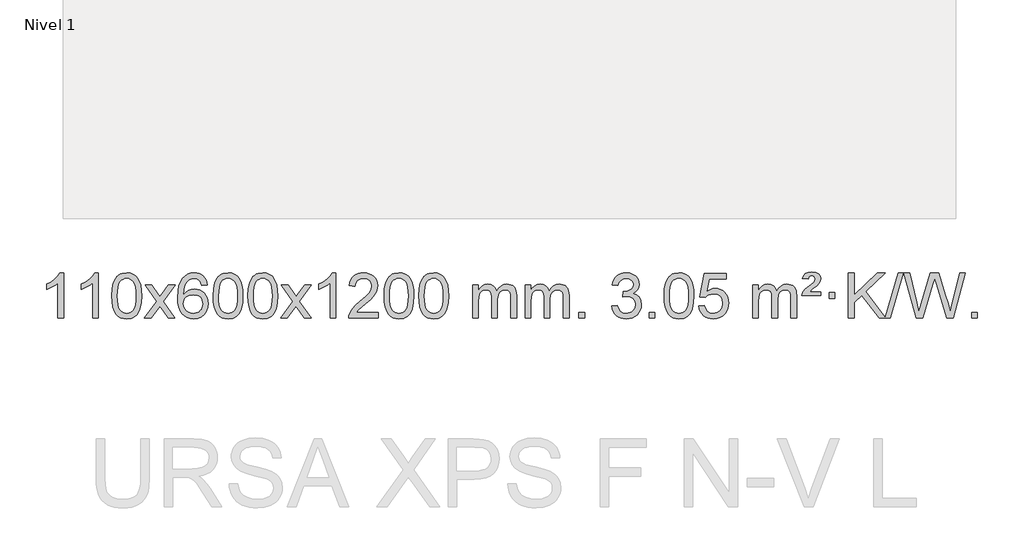
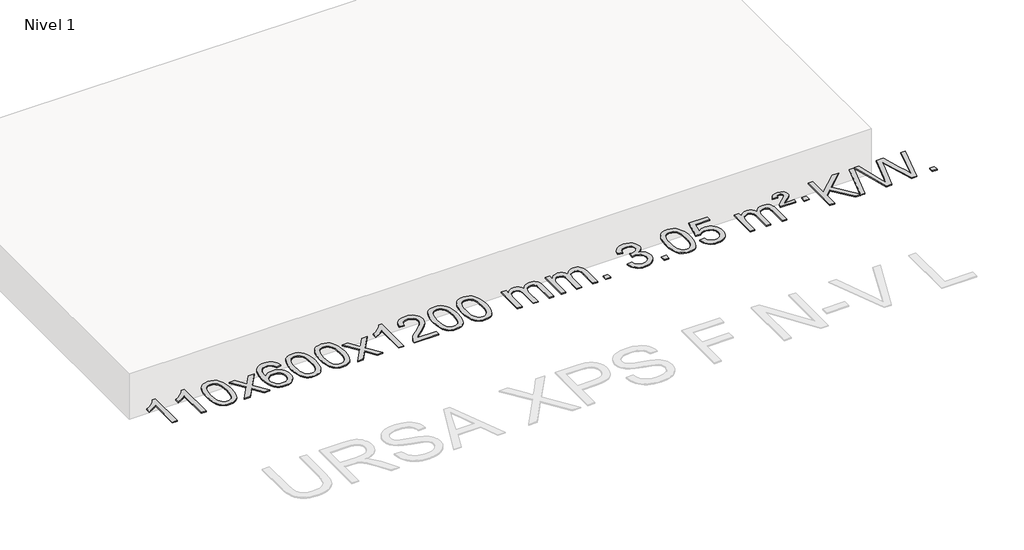
# One storey, part 6 of 10: 1 proxy.
"""IFC4 building model written with IfcOpenShell, lengths in millimetres."""

from ifc_helpers import new_model, si_unit, origin, origin_with_axes, place, context, project, spatial, polyline, outline, extrude, element, save

model = new_model("IFC4")

# Units and contexts
model_context = context("Model", 3, world=origin())
ifc_project = project(units=[si_unit("LENGTHUNIT", "METRE", prefix="MILLI")], contexts=[model_context])

# Site, building, storey
site = spatial("IfcSite", under=ifc_project)
building = spatial("IfcBuilding", under=site)
storey = spatial("IfcBuildingStorey", under=building, Name="Nivel 1", Elevation=0.0)

# Proxy
placement = place(None, origin())
element("IfcBuildingElementProxy", 1, Name="Texto de modelo 1", ObjectType="Texto de modelo 1", at=placement, inside=storey, context=model_context, shape_type="SweptSolid", body=[
    extrude(outline(polyline([(-19657.6779185, -12607.0613758), (-19707.9060735, -12607.0613758), (-19707.9060735, -12293.9202215), (-19728.8753473, -12310.8795815), (-19755.4854782, -12327.814416), (-19808.3623837, -12353.1737482), (-19808.3623837, -12305.6924454), (-19768.9131711, -12284.2326623), (-19734.7369337, -12258.7016518), (-19707.7957089, -12231.5519606), (-19690.051534, -12205.2361352), (-19657.6779185, -12205.2361352), (-19657.6779185, -12607.0613758)])), origin_with_axes(), (0.0, 0.0, 1.0), 10.0),
    extrude(outline(polyline([(-19350.0304686, -12607.0613758), (-19400.2586237, -12607.0613758), (-19400.2586237, -12293.9202215), (-19421.2278974, -12310.8795815), (-19447.8380284, -12327.814416), (-19500.7149338, -12353.1737482), (-19500.7149338, -12305.6924454), (-19461.2657212, -12284.2326623), (-19427.0894839, -12258.7016518), (-19400.1482591, -12231.5519606), (-19382.4040842, -12205.2361352), (-19350.0304686, -12205.2361352), (-19350.0304686, -12607.0613758)])), origin_with_axes(), (0.0, 0.0, 1.0), 10.0),
    extrude(outline(polyline([(-19230.7386003, -12409.3861171), (-19227.0475176, -12345.0680816), (-19215.9742696, -12293.7730687), (-19197.6292208, -12254.7162636), (-19185.7711578, -12239.4828833), (-19172.1227358, -12227.1128512), (-19156.6379694, -12217.5417879), (-19139.2708736, -12210.7053142), (-19098.8896932, -12205.2361352), (-19067.9385547, -12208.4734968), (-19040.2247777, -12218.1855814), (-19017.0482121, -12233.9922445), (-18999.7087073, -12255.5133412), (-18986.6121083, -12282.5649306), (-18976.1642597, -12314.9630716), (-18969.3216545, -12356.1045414), (-18967.0407862, -12409.3861171), (-18970.6950807, -12473.3362706), (-18981.6579641, -12524.5086561), (-18999.8926483, -12563.6022494), (-19011.7231202, -12578.881615), (-19025.3623451, -12591.3160264), (-19040.8655056, -12600.951469), (-19058.2877837, -12607.833928), (-19098.8896932, -12613.3398952), (-19126.5544193, -12610.9486622), (-19151.0798856, -12603.7749633), (-19172.4660923, -12591.8187985), (-19190.7130392, -12575.0801677), (-19208.2242222, -12544.8218736), (-19220.73221, -12507.1201004), (-19228.2370028, -12461.9748483), (-19230.7386003, -12409.3861171)]), holes=[polyline([(-19180.5104452, -12409.2880152), (-19179.0389173, -12452.9525423), (-19174.6243333, -12488.296805), (-19167.2666934, -12515.3208033), (-19156.9659976, -12534.024537), (-19144.5070606, -12546.7501884), (-19130.6746976, -12555.8399393), (-19115.4689085, -12561.2937899), (-19098.8896932, -12563.1117401), (-19082.310478, -12561.2876586), (-19067.1046889, -12555.8154139), (-19053.2723258, -12546.6950061), (-19040.8133889, -12533.9264352), (-19030.5126931, -12515.1920446), (-19023.1550532, -12488.1741777), (-19018.7404692, -12452.8728346), (-19017.2689412, -12409.2880152), (-19018.6914183, -12366.7792507), (-19022.9588494, -12332.0573217), (-19030.0712347, -12305.1222283), (-19040.028574, -12285.9739704), (-19052.2790445, -12272.6259854), (-19066.270823, -12263.0917103), (-19082.0039097, -12257.3711453), (-19099.4783044, -12255.4642903), (-19115.9716806, -12257.1442847), (-19130.9199523, -12262.1842681), (-19144.3231197, -12270.5842403), (-19156.1811826, -12282.3442014), (-19166.825235, -12303.1908478), (-19174.4281296, -12331.2970322), (-19178.9898663, -12366.6627547), (-19180.5104452, -12409.2880152)])]), origin_with_axes(), (0.0, 0.0, 1.0), 10.0),
    extrude(outline(polyline([(-18941.9267086, -12607.0613758), (-18834.6032679, -12458.7313553), (-18935.6481893, -12311.9709647), (-18875.2174402, -12311.9709647), (-18826.4608131, -12382.6043078), (-18803.7011803, -12415.958942), (-18783.9827054, -12388.6866235), (-18728.4570496, -12311.9709647), (-18668.0263005, -12311.9709647), (-18774.1725188, -12458.7313553), (-18671.9503751, -12607.0613758), (-18732.3811242, -12607.0613758), (-18793.8909938, -12517.8867802), (-18805.1727083, -12501.6018705), (-18881.4959596, -12607.0613758), (-18941.9267086, -12607.0613758)])), origin_with_axes(), (0.0, 0.0, 1.0), 10.0),
    extrude(outline(polyline([(-18383.1384834, -12311.9709647), (-18433.3666385, -12318.2494841), (-18441.4600424, -12293.3561358), (-18452.3984004, -12276.3599876), (-18475.1825586, -12260.6882146), (-18502.7246573, -12255.4642903), (-18526.0729013, -12258.5054481), (-18548.0477191, -12267.6289216), (-18566.9200655, -12286.8446245), (-18582.3343211, -12313.2953399), (-18592.7453815, -12350.7089388), (-18596.6081425, -12402.8132921), (-18576.4604719, -12379.3056326), (-18552.3151503, -12362.7386801), (-18525.5210783, -12352.9162308), (-18497.4271566, -12349.642081), (-18473.2940977, -12351.8800298), (-18451.0249743, -12358.5938763), (-18430.6197863, -12369.7836203), (-18412.0785337, -12385.4492619), (-18396.6704095, -12404.6588334), (-18385.6646065, -12426.4803671), (-18379.0611247, -12450.9138629), (-18376.859964, -12477.959321), (-18381.0047679, -12513.9259174), (-18393.4391793, -12547.2682889), (-18413.1331288, -12575.5461515), (-18439.0565467, -12596.3192215), (-18470.0322107, -12609.0847268), (-18504.8828984, -12613.3398952), (-18534.8254271, -12610.5194666), (-18561.8678194, -12602.0581807), (-18586.0100754, -12587.9560375), (-18607.2521949, -12568.2130371), (-18624.5702398, -12541.9953136), (-18636.9402719, -12508.4690011), (-18644.3622912, -12467.6340996), (-18646.8362976, -12419.4906092), (-18644.0894453, -12365.5161891), (-18635.8488887, -12319.451232), (-18622.1146275, -12281.2957377), (-18602.8866619, -12251.0497063), (-18582.0461469, -12231.006269), (-18557.8824311, -12216.689528), (-18530.3955147, -12208.0994834), (-18499.5853976, -12205.2361352), (-18476.4517515, -12207.0081001), (-18455.5131346, -12212.323995), (-18436.769547, -12221.1838197), (-18420.2209885, -12233.5875743), (-18406.3150491, -12249.1183259), (-18395.4993185, -12267.3591415), (-18387.7737966, -12288.3100211), (-18383.1384834, -12311.9709647)]), holes=[polyline([(-18596.6081425, -12477.174506), (-18593.7018747, -12499.4313667), (-18584.9830715, -12520.6826833), (-18571.445014, -12538.9541558), (-18554.0809839, -12552.271484), (-18533.1239729, -12560.4016761), (-18508.806973, -12563.1117401), (-18475.6608052, -12557.4954083), (-18461.7456687, -12550.4749936), (-18449.6024972, -12540.6464129), (-18439.7524568, -12528.4082052), (-18432.7167136, -12514.1589093), (-18427.0881191, -12479.6270527), (-18432.6431372, -12446.4808849), (-18439.5869099, -12432.860054), (-18449.3081916, -12421.2073918), (-18461.4881514, -12411.8723862), (-18475.807958, -12405.204525), (-18510.8671122, -12399.8702361), (-18543.964229, -12405.204525), (-18571.6412178, -12421.2073918), (-18582.5642473, -12432.7067699), (-18590.3664113, -12445.8677482), (-18595.0477097, -12460.690327), (-18596.6081425, -12477.174506)])]), origin_with_axes(), (0.0, 0.0, 1.0), 10.0),
    extrude(outline(polyline([(-18332.9103284, -12409.3861171), (-18329.2192457, -12345.0680816), (-18318.1459976, -12293.7730687), (-18299.8009488, -12254.7162636), (-18287.9428858, -12239.4828833), (-18274.2944638, -12227.1128512), (-18258.8096975, -12217.5417879), (-18241.4426016, -12210.7053142), (-18201.0614213, -12205.2361352), (-18170.1102828, -12208.4734968), (-18142.3965058, -12218.1855814), (-18119.2199401, -12233.9922445), (-18101.8804354, -12255.5133412), (-18088.7838364, -12282.5649306), (-18078.3359877, -12314.9630716), (-18071.4933826, -12356.1045414), (-18069.2125142, -12409.3861171), (-18072.8668087, -12473.3362706), (-18083.8296922, -12524.5086561), (-18102.0643764, -12563.6022494), (-18113.8948482, -12578.881615), (-18127.5340732, -12591.3160264), (-18143.0372336, -12600.951469), (-18160.4595117, -12607.833928), (-18201.0614213, -12613.3398952), (-18228.7261473, -12610.9486622), (-18253.2516137, -12603.7749633), (-18274.6378203, -12591.8187985), (-18292.8847673, -12575.0801677), (-18310.3959503, -12544.8218736), (-18322.9039381, -12507.1201004), (-18330.4087308, -12461.9748483), (-18332.9103284, -12409.3861171)]), holes=[polyline([(-18282.6821733, -12409.2880152), (-18281.2106453, -12452.9525423), (-18276.7960614, -12488.296805), (-18269.4384215, -12515.3208033), (-18259.1377256, -12534.024537), (-18246.6787887, -12546.7501884), (-18232.8464257, -12555.8399393), (-18217.6406365, -12561.2937899), (-18201.0614213, -12563.1117401), (-18184.482206, -12561.2876586), (-18169.2764169, -12555.8154139), (-18155.4440539, -12546.6950061), (-18142.985117, -12533.9264352), (-18132.6844211, -12515.1920446), (-18125.3267812, -12488.1741777), (-18120.9121973, -12452.8728346), (-18119.4406693, -12409.2880152), (-18120.8631463, -12366.7792507), (-18125.1305775, -12332.0573217), (-18132.2429627, -12305.1222283), (-18142.2003021, -12285.9739704), (-18154.4507725, -12272.6259854), (-18168.442551, -12263.0917103), (-18184.1756377, -12257.3711453), (-18201.6500325, -12255.4642903), (-18218.1434086, -12257.1442847), (-18233.0916803, -12262.1842681), (-18246.4948477, -12270.5842403), (-18258.3529107, -12282.3442014), (-18268.9969631, -12303.1908478), (-18276.5998576, -12331.2970322), (-18281.1615944, -12366.6627547), (-18282.6821733, -12409.2880152)])]), origin_with_axes(), (0.0, 0.0, 1.0), 10.0),
    extrude(outline(polyline([(-18025.2628785, -12409.3861171), (-18021.5717958, -12345.0680816), (-18010.4985478, -12293.7730687), (-17992.153499, -12254.7162636), (-17980.295436, -12239.4828833), (-17966.647014, -12227.1128512), (-17951.1622476, -12217.5417879), (-17933.7951518, -12210.7053142), (-17893.4139715, -12205.2361352), (-17862.4628329, -12208.4734968), (-17834.749056, -12218.1855814), (-17811.5724903, -12233.9922445), (-17794.2329856, -12255.5133412), (-17781.1363865, -12282.5649306), (-17770.6885379, -12314.9630716), (-17763.8459327, -12356.1045414), (-17761.5650644, -12409.3861171), (-17765.2193589, -12473.3362706), (-17776.1822423, -12524.5086561), (-17794.4169265, -12563.6022494), (-17806.2473984, -12578.881615), (-17819.8866233, -12591.3160264), (-17835.3897838, -12600.951469), (-17852.8120619, -12607.833928), (-17893.4139715, -12613.3398952), (-17921.0786975, -12610.9486622), (-17945.6041638, -12603.7749633), (-17966.9903705, -12591.8187985), (-17985.2373174, -12575.0801677), (-18002.7485004, -12544.8218736), (-18015.2564883, -12507.1201004), (-18022.761281, -12461.9748483), (-18025.2628785, -12409.3861171)]), holes=[polyline([(-17975.0347234, -12409.2880152), (-17973.5631955, -12452.9525423), (-17969.1486115, -12488.296805), (-17961.7909716, -12515.3208033), (-17951.4902758, -12534.024537), (-17939.0313389, -12546.7501884), (-17925.1989758, -12555.8399393), (-17909.9931867, -12561.2937899), (-17893.4139715, -12563.1117401), (-17876.8347562, -12561.2876586), (-17861.6289671, -12555.8154139), (-17847.796604, -12546.6950061), (-17835.3376671, -12533.9264352), (-17825.0369713, -12515.1920446), (-17817.6793314, -12488.1741777), (-17813.2647474, -12452.8728346), (-17811.7932195, -12409.2880152), (-17813.2156965, -12366.7792507), (-17817.4831276, -12332.0573217), (-17824.5955129, -12305.1222283), (-17834.5528522, -12285.9739704), (-17846.8033227, -12272.6259854), (-17860.7951012, -12263.0917103), (-17876.5281879, -12257.3711453), (-17894.0025826, -12255.4642903), (-17910.4959588, -12257.1442847), (-17925.4442305, -12262.1842681), (-17938.8473979, -12270.5842403), (-17950.7054608, -12282.3442014), (-17961.3495132, -12303.1908478), (-17968.9524078, -12331.2970322), (-17973.5141445, -12366.6627547), (-17975.0347234, -12409.2880152)])]), origin_with_axes(), (0.0, 0.0, 1.0), 10.0),
    extrude(outline(polyline([(-17736.4509868, -12607.0613758), (-17629.1275461, -12458.7313553), (-17730.1724675, -12311.9709647), (-17669.7417184, -12311.9709647), (-17620.9850913, -12382.6043078), (-17598.2254585, -12415.958942), (-17578.5069836, -12388.6866235), (-17522.9813278, -12311.9709647), (-17462.5505787, -12311.9709647), (-17568.696797, -12458.7313553), (-17466.4746533, -12607.0613758), (-17526.9054024, -12607.0613758), (-17588.415272, -12517.8867802), (-17599.6969865, -12501.6018705), (-17676.0202378, -12607.0613758), (-17736.4509868, -12607.0613758)])), origin_with_axes(), (0.0, 0.0, 1.0), 10.0),
    extrude(outline(polyline([(-17246.7264749, -12607.0613758), (-17296.9546299, -12607.0613758), (-17296.9546299, -12293.9202215), (-17317.9239037, -12310.8795815), (-17344.5340346, -12327.814416), (-17397.4109401, -12353.1737482), (-17397.4109401, -12305.6924454), (-17357.9617275, -12284.2326623), (-17323.7854901, -12258.7016518), (-17296.8442653, -12231.5519606), (-17279.1000904, -12205.2361352), (-17246.7264749, -12205.2361352), (-17246.7264749, -12607.0613758)])), origin_with_axes(), (0.0, 0.0, 1.0), 10.0),
    extrude(outline(polyline([(-16870.0153118, -12556.8332207), (-16870.0153118, -12607.0613758), (-17133.7131259, -12607.0613758), (-17132.60948, -12589.3785146), (-17128.3175233, -12572.4314173), (-17115.9321628, -12545.3675652), (-17097.8078432, -12519.1130535), (-17071.5901197, -12491.6322684), (-17034.9245475, -12460.8895964), (-16980.7232669, -12412.746106), (-16948.2024985, -12377.2087052), (-16931.9421143, -12348.3667568), (-16926.5219863, -12320.3096233), (-16931.635546, -12295.1587576), (-16946.9762252, -12274.2507975), (-16970.5574611, -12260.1609171), (-17000.3926909, -12255.4642903), (-17031.7239741, -12260.0505525), (-17056.0654995, -12273.8093391), (-17071.7740607, -12295.6615296), (-17077.2064515, -12324.5280035), (-17127.4346066, -12318.2494841), (-17123.1150588, -12292.3199348), (-17115.2577125, -12269.6645353), (-17103.8625677, -12250.2832855), (-17088.9296244, -12234.1761855), (-17070.8022391, -12221.5149135), (-17049.8237683, -12212.4711478), (-17025.9942121, -12207.0448883), (-16999.3135704, -12205.2361352), (-16972.3938054, -12207.2472234), (-16948.4354904, -12213.2804882), (-16927.4386256, -12223.3359294), (-16909.4032108, -12237.413547), (-16894.9178572, -12254.4710089), (-16884.5711761, -12273.4659826), (-16878.3631674, -12294.3984681), (-16876.2938312, -12317.2684655), (-16878.5256486, -12341.2911598), (-16885.2211009, -12364.8969211), (-16897.1036894, -12388.9073527), (-16914.8969152, -12414.1440575), (-16943.260617, -12444.2735929), (-16986.8546335, -12482.9625161), (-17044.6366322, -12531.2776848), (-17067.2981631, -12556.8332207), (-16870.0153118, -12556.8332207)])), origin_with_axes(), (0.0, 0.0, 1.0), 10.0),
    extrude(outline(polyline([(-16819.7871567, -12409.3861171), (-16816.096074, -12345.0680816), (-16805.022826, -12293.7730687), (-16786.6777772, -12254.7162636), (-16774.8197142, -12239.4828833), (-16761.1712922, -12227.1128512), (-16745.6865258, -12217.5417879), (-16728.31943, -12210.7053142), (-16687.9382497, -12205.2361352), (-16656.9871111, -12208.4734968), (-16629.2733342, -12218.1855814), (-16606.0967685, -12233.9922445), (-16588.7572638, -12255.5133412), (-16575.6606647, -12282.5649306), (-16565.2128161, -12314.9630716), (-16558.370211, -12356.1045414), (-16556.0893426, -12409.3861171), (-16559.7436371, -12473.3362706), (-16570.7065205, -12524.5086561), (-16588.9412048, -12563.6022494), (-16600.7716766, -12578.881615), (-16614.4109016, -12591.3160264), (-16629.914062, -12600.951469), (-16647.3363401, -12607.833928), (-16687.9382497, -12613.3398952), (-16715.6029757, -12610.9486622), (-16740.128442, -12603.7749633), (-16761.5146487, -12591.8187985), (-16779.7615957, -12575.0801677), (-16797.2727786, -12544.8218736), (-16809.7807665, -12507.1201004), (-16817.2855592, -12461.9748483), (-16819.7871567, -12409.3861171)]), holes=[polyline([(-16769.5590017, -12409.2880152), (-16768.0874737, -12452.9525423), (-16763.6728897, -12488.296805), (-16756.3152498, -12515.3208033), (-16746.014554, -12534.024537), (-16733.5556171, -12546.7501884), (-16719.723254, -12555.8399393), (-16704.5174649, -12561.2937899), (-16687.9382497, -12563.1117401), (-16671.3590344, -12561.2876586), (-16656.1532453, -12555.8154139), (-16642.3208823, -12546.6950061), (-16629.8619454, -12533.9264352), (-16619.5612495, -12515.1920446), (-16612.2036096, -12488.1741777), (-16607.7890256, -12452.8728346), (-16606.3174977, -12409.2880152), (-16607.7399747, -12366.7792507), (-16612.0074059, -12332.0573217), (-16619.1197911, -12305.1222283), (-16629.0771304, -12285.9739704), (-16641.3276009, -12272.6259854), (-16655.3193794, -12263.0917103), (-16671.0524661, -12257.3711453), (-16688.5268608, -12255.4642903), (-16705.020237, -12257.1442847), (-16719.9685087, -12262.1842681), (-16733.3716761, -12270.5842403), (-16745.229739, -12282.3442014), (-16755.8737914, -12303.1908478), (-16763.476686, -12331.2970322), (-16768.0384227, -12366.6627547), (-16769.5590017, -12409.2880152)])]), origin_with_axes(), (0.0, 0.0, 1.0), 10.0),
    extrude(outline(polyline([(-16512.1397069, -12409.3861171), (-16508.4486242, -12345.0680816), (-16497.3753762, -12293.7730687), (-16479.0303273, -12254.7162636), (-16467.1722644, -12239.4828833), (-16453.5238423, -12227.1128512), (-16438.039076, -12217.5417879), (-16420.6719802, -12210.7053142), (-16380.2907998, -12205.2361352), (-16349.3396613, -12208.4734968), (-16321.6258843, -12218.1855814), (-16298.4493186, -12233.9922445), (-16281.1098139, -12255.5133412), (-16268.0132149, -12282.5649306), (-16257.5653662, -12314.9630716), (-16250.7227611, -12356.1045414), (-16248.4418928, -12409.3861171), (-16252.0961872, -12473.3362706), (-16263.0590707, -12524.5086561), (-16281.2937549, -12563.6022494), (-16293.1242267, -12578.881615), (-16306.7634517, -12591.3160264), (-16322.2666121, -12600.951469), (-16339.6888903, -12607.833928), (-16380.2907998, -12613.3398952), (-16407.9555259, -12610.9486622), (-16432.4809922, -12603.7749633), (-16453.8671989, -12591.8187985), (-16472.1141458, -12575.0801677), (-16489.6253288, -12544.8218736), (-16502.1333166, -12507.1201004), (-16509.6381093, -12461.9748483), (-16512.1397069, -12409.3861171)]), holes=[polyline([(-16461.9115518, -12409.2880152), (-16460.4400238, -12452.9525423), (-16456.0254399, -12488.296805), (-16448.6678, -12515.3208033), (-16438.3671041, -12534.024537), (-16425.9081672, -12546.7501884), (-16412.0758042, -12555.8399393), (-16396.8700151, -12561.2937899), (-16380.2907998, -12563.1117401), (-16363.7115846, -12561.2876586), (-16348.5057954, -12555.8154139), (-16334.6734324, -12546.6950061), (-16322.2144955, -12533.9264352), (-16311.9137997, -12515.1920446), (-16304.5561597, -12488.1741777), (-16300.1415758, -12452.8728346), (-16298.6700478, -12409.2880152), (-16300.0925249, -12366.7792507), (-16304.359956, -12332.0573217), (-16311.4723413, -12305.1222283), (-16321.4296806, -12285.9739704), (-16333.680151, -12272.6259854), (-16347.6719296, -12263.0917103), (-16363.4050162, -12257.3711453), (-16380.879411, -12255.4642903), (-16397.3727871, -12257.1442847), (-16412.3210589, -12262.1842681), (-16425.7242262, -12270.5842403), (-16437.5822892, -12282.3442014), (-16448.2263416, -12303.1908478), (-16455.8292362, -12331.2970322), (-16460.3909729, -12366.6627547), (-16461.9115518, -12409.2880152)])]), origin_with_axes(), (0.0, 0.0, 1.0), 10.0),
    extrude(outline(polyline([(-16034.9722337, -12607.0613758), (-16034.9722337, -12311.9709647), (-15984.7440786, -12311.9709647), (-15984.7440786, -12360.5313881), (-15969.6363913, -12338.2254765), (-15950.212222, -12320.7510817), (-15927.1337582, -12309.4571044), (-15901.0631874, -12305.6924454), (-15873.1286813, -12309.5306808), (-15850.7369305, -12321.0453873), (-15834.0105625, -12339.4762752), (-15823.0722045, -12364.0630553), (-15804.7639438, -12338.5259134), (-15783.8805092, -12320.2850978), (-15760.4219007, -12309.3406085), (-15734.3881182, -12305.6924454), (-15714.2803014, -12307.2099586), (-15696.6311627, -12311.7624983), (-15681.440702, -12319.3500644), (-15668.7089193, -12329.972657), (-15658.644281, -12343.7529034), (-15651.4552537, -12360.813431), (-15647.1418373, -12381.1542396), (-15645.7040319, -12404.7753294), (-15645.7040319, -12607.0613758), (-15695.9321869, -12607.0613758), (-15695.9321869, -12426.3577398), (-15697.0971466, -12401.3049759), (-15700.5920255, -12384.4191923), (-15707.140325, -12372.8554349), (-15717.4655464, -12363.7687497), (-15730.7460864, -12357.8826377), (-15746.160342, -12355.9206004), (-15773.3713469, -12360.948321), (-15795.5546312, -12376.0314828), (-15804.1600042, -12387.6013716), (-15810.3066992, -12402.2001554), (-15815.2240552, -12440.4844084), (-15815.2240552, -12607.0613758), (-15865.4522103, -12607.0613758), (-15865.4522103, -12420.7659334), (-15868.3584781, -12392.3654434), (-15877.0772814, -12372.1074082), (-15892.4179606, -12359.9673024), (-15915.1898561, -12355.9206004), (-15934.540449, -12358.6184017), (-15952.370463, -12366.7118056), (-15967.0857428, -12380.0046084), (-15977.0921331, -12398.3006063), (-15982.8310922, -12423.6844639), (-15984.7440786, -12458.240846), (-15984.7440786, -12607.0613758), (-16034.9722337, -12607.0613758)])), origin_with_axes(), (0.0, 0.0, 1.0), 10.0),
    extrude(outline(polyline([(-15570.3617992, -12607.0613758), (-15570.3617992, -12311.9709647), (-15520.1336442, -12311.9709647), (-15520.1336442, -12360.5313881), (-15505.0259569, -12338.2254765), (-15485.6017876, -12320.7510817), (-15462.5233237, -12309.4571044), (-15436.452753, -12305.6924454), (-15408.5182468, -12309.5306808), (-15386.1264961, -12321.0453873), (-15369.400128, -12339.4762752), (-15358.46177, -12364.0630553), (-15340.1535094, -12338.5259134), (-15319.2700748, -12320.2850978), (-15295.8114662, -12309.3406085), (-15269.7776837, -12305.6924454), (-15249.669867, -12307.2099586), (-15232.0207283, -12311.7624983), (-15216.8302676, -12319.3500644), (-15204.0984848, -12329.972657), (-15194.0338466, -12343.7529034), (-15186.8448193, -12360.813431), (-15182.5314029, -12381.1542396), (-15181.0935974, -12404.7753294), (-15181.0935974, -12607.0613758), (-15231.3217525, -12607.0613758), (-15231.3217525, -12426.3577398), (-15232.4867121, -12401.3049759), (-15235.9815911, -12384.4191923), (-15242.5298906, -12372.8554349), (-15252.8551119, -12363.7687497), (-15266.135652, -12357.8826377), (-15281.5499076, -12355.9206004), (-15308.7609125, -12360.948321), (-15330.9441968, -12376.0314828), (-15339.5495698, -12387.6013716), (-15345.6962648, -12402.2001554), (-15350.6136208, -12440.4844084), (-15350.6136208, -12607.0613758), (-15400.8417759, -12607.0613758), (-15400.8417759, -12420.7659334), (-15403.7480436, -12392.3654434), (-15412.4668469, -12372.1074082), (-15427.8075261, -12359.9673024), (-15450.5794216, -12355.9206004), (-15469.9300146, -12358.6184017), (-15487.7600286, -12366.7118056), (-15502.4753084, -12380.0046084), (-15512.4816987, -12398.3006063), (-15518.2206578, -12423.6844639), (-15520.1336442, -12458.240846), (-15520.1336442, -12607.0613758), (-15570.3617992, -12607.0613758)])), origin_with_axes(), (0.0, 0.0, 1.0), 10.0),
    extrude(outline(polyline([(-15093.194326, -12607.0613758), (-15093.194326, -12556.8332207), (-15042.966171, -12556.8332207), (-15042.966171, -12607.0613758), (-15093.194326, -12607.0613758)])), origin_with_axes(), (0.0, 0.0, 1.0), 10.0),
    extrude(outline(polyline([(-14804.3824344, -12500.3265463), (-14754.1542793, -12494.0480269), (-14742.909353, -12525.6123021), (-14726.4405023, -12546.9249323), (-14703.9383869, -12559.0650382), (-14674.5936665, -12563.1117401), (-14640.1599117, -12557.5444593), (-14625.8860903, -12550.5853582), (-14613.5743062, -12540.8426167), (-14596.578158, -12515.9247429), (-14590.9127753, -12485.7093683), (-14596.5291071, -12457.0268354), (-14613.3781025, -12433.7644306), (-14638.8845875, -12418.350175), (-14670.4733881, -12413.2120898), (-14705.6919578, -12418.7057943), (-14700.1001515, -12368.4776392), (-14692.0557985, -12369.0662504), (-14661.9630513, -12365.4610068), (-14635.0586147, -12354.6452762), (-14623.9853666, -12346.4660332), (-14616.0759038, -12336.3492783), (-14611.330226, -12324.2950116), (-14609.7483334, -12310.303233), (-14614.3345956, -12288.610458), (-14628.0933823, -12271.0134359), (-14649.0871815, -12259.3515767), (-14675.3784814, -12255.4642903), (-14701.7188322, -12259.3883649), (-14723.2521917, -12271.1605887), (-14738.9730156, -12290.7809618), (-14747.8757599, -12318.2494841), (-14798.103915, -12311.9709647), (-14792.150358, -12287.99119), (-14783.3150588, -12266.8686321), (-14771.5980172, -12248.6032911), (-14756.9992334, -12233.1951668), (-14739.9785597, -12220.9630905), (-14720.9958488, -12212.2258931), (-14700.0511005, -12206.9835747), (-14677.144315, -12205.2361352), (-14645.567777, -12208.6819632), (-14616.5664131, -12219.0194473), (-14592.1145231, -12235.3288824), (-14574.1864072, -12256.6905636), (-14563.1867356, -12281.3018691), (-14559.5201784, -12307.3601771), (-14563.0027946, -12331.6403887), (-14573.4506432, -12353.6642575), (-14590.7165716, -12372.4262393), (-14614.6534267, -12386.9207899), (-14583.2117789, -12399.6249815), (-14559.9125858, -12421.2564428), (-14545.4916116, -12450.6379515), (-14540.6846202, -12486.5922851), (-14543.0881159, -12512.0742446), (-14550.298603, -12535.5451159), (-14562.3160815, -12557.004899), (-14579.1405514, -12576.4535938), (-14599.6377099, -12592.5913507), (-14622.6732542, -12604.1183198), (-14648.2471842, -12611.0345014), (-14676.3595, -12613.3398952), (-14701.7678832, -12611.3717265), (-14724.9199234, -12605.4672205), (-14745.8156207, -12595.6263771), (-14764.4549751, -12581.8491964), (-14780.0838286, -12564.9450187), (-14791.9480229, -12545.7231845), (-14800.0475582, -12524.1836937), (-14804.3824344, -12500.3265463)])), origin_with_axes(), (0.0, 0.0, 1.0), 10.0),
    extrude(outline(polyline([(-14471.620907, -12607.0613758), (-14471.620907, -12556.8332207), (-14421.3927519, -12556.8332207), (-14421.3927519, -12607.0613758), (-14471.620907, -12607.0613758)])), origin_with_axes(), (0.0, 0.0, 1.0), 10.0),
    extrude(outline(polyline([(-14339.7719999, -12409.3861171), (-14336.0809172, -12345.0680816), (-14325.0076692, -12293.7730687), (-14306.6626203, -12254.7162636), (-14294.8045574, -12239.4828833), (-14281.1561353, -12227.1128512), (-14265.671369, -12217.5417879), (-14248.3042732, -12210.7053142), (-14207.9230928, -12205.2361352), (-14176.9719543, -12208.4734968), (-14149.2581773, -12218.1855814), (-14126.0816116, -12233.9922445), (-14108.7421069, -12255.5133412), (-14095.6455079, -12282.5649306), (-14085.1976592, -12314.9630716), (-14078.3550541, -12356.1045414), (-14076.0741858, -12409.3861171), (-14079.7284803, -12473.3362706), (-14090.6913637, -12524.5086561), (-14108.9260479, -12563.6022494), (-14120.7565198, -12578.881615), (-14134.3957447, -12591.3160264), (-14149.8989051, -12600.951469), (-14167.3211833, -12607.833928), (-14207.9230928, -12613.3398952), (-14235.5878189, -12610.9486622), (-14260.1132852, -12603.7749633), (-14281.4994919, -12591.8187985), (-14299.7464388, -12575.0801677), (-14317.2576218, -12544.8218736), (-14329.7656096, -12507.1201004), (-14337.2704023, -12461.9748483), (-14339.7719999, -12409.3861171)]), holes=[polyline([(-14289.5438448, -12409.2880152), (-14288.0723169, -12452.9525423), (-14283.6577329, -12488.296805), (-14276.300093, -12515.3208033), (-14265.9993971, -12534.024537), (-14253.5404602, -12546.7501884), (-14239.7080972, -12555.8399393), (-14224.5023081, -12561.2937899), (-14207.9230928, -12563.1117401), (-14191.3438776, -12561.2876586), (-14176.1380885, -12555.8154139), (-14162.3057254, -12546.6950061), (-14149.8467885, -12533.9264352), (-14139.5460927, -12515.1920446), (-14132.1884528, -12488.1741777), (-14127.7738688, -12452.8728346), (-14126.3023408, -12409.2880152), (-14127.7248179, -12366.7792507), (-14131.992249, -12332.0573217), (-14139.1046343, -12305.1222283), (-14149.0619736, -12285.9739704), (-14161.312444, -12272.6259854), (-14175.3042226, -12263.0917103), (-14191.0373093, -12257.3711453), (-14208.511704, -12255.4642903), (-14225.0050801, -12257.1442847), (-14239.9533519, -12262.1842681), (-14253.3565192, -12270.5842403), (-14265.2145822, -12282.3442014), (-14275.8586346, -12303.1908478), (-14283.4615292, -12331.2970322), (-14288.0232659, -12366.6627547), (-14289.5438448, -12409.2880152)])]), origin_with_axes(), (0.0, 0.0, 1.0), 10.0),
    extrude(outline(polyline([(-14032.1245501, -12500.3265463), (-13981.896395, -12494.0480269), (-13972.6748197, -12524.2020878), (-13956.5861137, -12545.7967609), (-13933.7038536, -12558.7829953), (-13904.1016158, -12563.1117401), (-13884.971752, -12561.6064896), (-13868.0982312, -12557.0907381), (-13853.4810532, -12549.5644856), (-13841.1202182, -12539.0277322), (-13831.2916375, -12526.0016438), (-13824.2712228, -12511.0073869), (-13818.654891, -12475.1143669), (-13823.9156035, -12441.3182742), (-13830.4914942, -12427.4000721), (-13839.6977411, -12415.4684327), (-13851.5650012, -12405.8973695), (-13866.1239311, -12399.0608957), (-13903.3168008, -12393.5917167), (-13927.6828516, -12395.7744832), (-13947.4135893, -12402.3227828), (-13963.1712014, -12412.3536985), (-13975.6178756, -12424.9843137), (-14025.8460307, -12418.7057943), (-13981.896395, -12211.5146546), (-13787.2622941, -12211.5146546), (-13787.2622941, -12261.7428097), (-13941.2822227, -12261.7428097), (-13962.7665313, -12372.4017138), (-13945.0407505, -12359.6975222), (-13926.885774, -12350.6230997), (-13908.3016019, -12345.1784462), (-13889.2882341, -12343.3635617), (-13864.8271471, -12345.6137732), (-13842.3587542, -12352.3644078), (-13821.8830555, -12363.6154655), (-13803.4000509, -12379.3669463), (-13788.0992256, -12398.6562255), (-13777.1700647, -12420.5206788), (-13770.6125681, -12444.960306), (-13768.4267359, -12471.9751072), (-13770.3949046, -12497.996627), (-13776.2994106, -12522.2032622), (-13786.140254, -12544.595013), (-13799.9174347, -12565.1718793), (-13820.7886066, -12586.2453862), (-13845.1423947, -12601.2978912), (-13872.978799, -12610.3293942), (-13904.2978195, -12613.3398952), (-13930.2181717, -12611.405449), (-13953.630795, -12605.6021106), (-13974.5356894, -12595.9298798), (-13992.9328549, -12582.3887567), (-14008.2398115, -12565.6531916), (-14019.8740796, -12546.3976348), (-14027.8356591, -12524.6220864), (-14032.1245501, -12500.3265463)])), origin_with_axes(), (0.0, 0.0, 1.0), 10.0),
    extrude(outline(polyline([(-13554.9570769, -12607.0613758), (-13554.9570769, -12311.9709647), (-13504.7289218, -12311.9709647), (-13504.7289218, -12360.5313881), (-13489.6212345, -12338.2254765), (-13470.1970652, -12320.7510817), (-13447.1186013, -12309.4571044), (-13421.0480306, -12305.6924454), (-13393.1135245, -12309.5306808), (-13370.7217737, -12321.0453873), (-13353.9954056, -12339.4762752), (-13343.0570476, -12364.0630553), (-13324.748787, -12338.5259134), (-13303.8653524, -12320.2850978), (-13280.4067439, -12309.3406085), (-13254.3729613, -12305.6924454), (-13234.2651446, -12307.2099586), (-13216.6160059, -12311.7624983), (-13201.4255452, -12319.3500644), (-13188.6937625, -12329.972657), (-13178.6291242, -12343.7529034), (-13171.4400969, -12360.813431), (-13167.1266805, -12381.1542396), (-13165.688875, -12404.7753294), (-13165.688875, -12607.0613758), (-13215.9170301, -12607.0613758), (-13215.9170301, -12426.3577398), (-13217.0819898, -12401.3049759), (-13220.5768687, -12384.4191923), (-13227.1251682, -12372.8554349), (-13237.4503896, -12363.7687497), (-13250.7309296, -12357.8826377), (-13266.1451852, -12355.9206004), (-13293.3561901, -12360.948321), (-13315.5394744, -12376.0314828), (-13324.1448474, -12387.6013716), (-13330.2915424, -12402.2001554), (-13335.2088984, -12440.4844084), (-13335.2088984, -12607.0613758), (-13385.4370535, -12607.0613758), (-13385.4370535, -12420.7659334), (-13388.3433212, -12392.3654434), (-13397.0621245, -12372.1074082), (-13412.4028037, -12359.9673024), (-13435.1746992, -12355.9206004), (-13454.5252922, -12358.6184017), (-13472.3553062, -12366.7118056), (-13487.070586, -12380.0046084), (-13497.0769763, -12398.3006063), (-13502.8159354, -12423.6844639), (-13504.7289218, -12458.240846), (-13504.7289218, -12607.0613758), (-13554.9570769, -12607.0613758)])), origin_with_axes(), (0.0, 0.0, 1.0), 10.0),
    extrude(outline(polyline([(-13121.7392393, -12406.1487555), (-13117.9132666, -12390.3298297), (-13109.574608, -12374.461853), (-13088.0657741, -12349.32325), (-13056.1090914, -12321.5849475), (-13011.963252, -12284.2081368), (-13004.8263413, -12272.6811677), (-13002.447371, -12260.8598929), (-13004.335832, -12248.768838), (-13010.0012147, -12238.9831769), (-13019.3699428, -12232.5084538), (-13032.36844, -12230.3502127), (-13044.8028514, -12231.9688935), (-13053.6565448, -12236.8249359), (-13060.082217, -12246.2917659), (-13065.2325649, -12261.7428097), (-13115.46072, -12255.4642903), (-13104.6204638, -12230.2521109), (-13087.9921977, -12212.691877), (-13064.2270208, -12202.3911811), (-13031.9760325, -12198.9576158), (-12996.1933771, -12203.0901569), (-12971.4471816, -12215.4877801), (-12957.0262074, -12233.8205662), (-12952.219216, -12255.7585959), (-12956.3149688, -12278.6653814), (-12968.6022275, -12300.2968428), (-12989.1300428, -12320.1134196), (-13025.5994113, -12348.1705531), (-13051.2039981, -12374.7561586), (-12952.219216, -12374.7561586), (-12952.219216, -12406.1487555), (-13121.7392393, -12406.1487555)])), origin_with_axes(), (0.0, 0.0, 1.0), 10.0),
    extrude(outline(polyline([(-12876.8769834, -12431.262833), (-12876.8769834, -12381.034678), (-12826.6488283, -12381.034678), (-12826.6488283, -12431.262833), (-12876.8769834, -12431.262833)])), origin_with_axes(), (0.0, 0.0, 1.0), 10.0),
    extrude(outline(polyline([(-12436.0072003, -12607.0613758), (-12589.4385178, -12404.3829219), (-12657.1288049, -12468.9339493), (-12657.1288049, -12607.0613758), (-12707.35696, -12607.0613758), (-12707.35696, -12205.2361352), (-12657.1288049, -12205.2361352), (-12657.1288049, -12401.9303753), (-12451.1148876, -12205.2361352), (-12380.873952, -12205.2361352), (-12553.8275407, -12370.4396765), (-12379.1739308, -12601.016856), (-12267.8606031, -12205.2361352), (-12222.5375413, -12205.2361352), (-12335.5508902, -12607.0613758), (-12374.5954326, -12607.0613758), (-12380.873952, -12607.0613758), (-12436.0072003, -12607.0613758)])), origin_with_axes(), (0.0, 0.0, 1.0), 10.0),
    extrude(outline(polyline([(-12108.0526644, -12607.0613758), (-12217.632448, -12205.2361352), (-12165.8346631, -12205.2361352), (-12102.2646543, -12469.3263568), (-12082.6442812, -12550.8490069), (-12061.650482, -12478.7441359), (-11981.9917674, -12205.2361352), (-11907.3362478, -12205.2361352), (-11849.4561472, -12403.5000051), (-11824.6609008, -12477.0764042), (-11806.3894283, -12550.8490069), (-11787.3576664, -12471.6808016), (-11723.1990465, -12205.2361352), (-11671.4012616, -12205.2361352), (-11781.0791471, -12607.0613758), (-11834.7408674, -12607.0613758), (-11931.0768992, -12297.0594812), (-11944.5168548, -12253.7965586), (-11959.624542, -12305.8886491), (-12047.4257116, -12607.0613758), (-12108.0526644, -12607.0613758)])), origin_with_axes(), (0.0, 0.0, 1.0), 10.0),
    extrude(outline(polyline([(-11614.8945871, -12607.0613758), (-11614.8945871, -12556.8332207), (-11564.666432, -12556.8332207), (-11564.666432, -12607.0613758), (-11614.8945871, -12607.0613758)])), origin_with_axes(), (0.0, 0.0, 1.0), 10.0),
])

save(model, "model.ifc")
